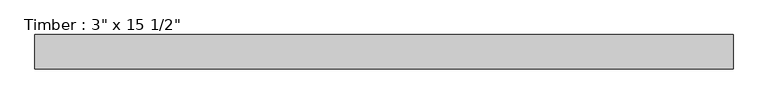
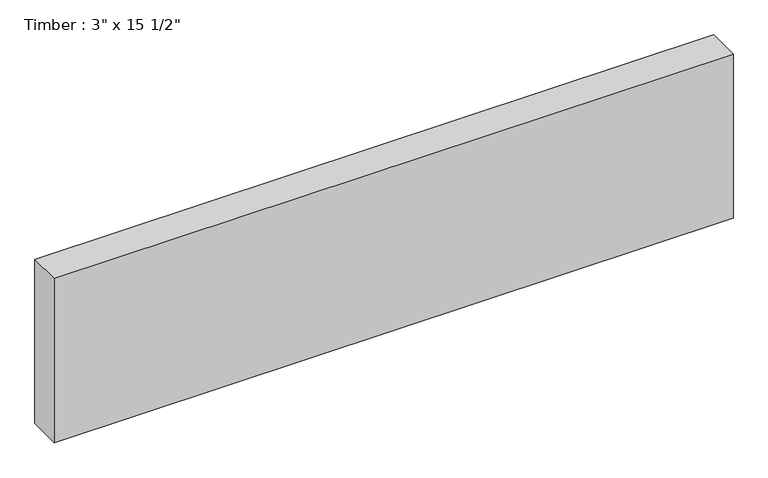
"""IFC4 building model written with IfcOpenShell, lengths in millimetres: beam geometry."""

from ifc_helpers import new_model, si_unit, frame, origin, place, context, project, spatial, polyline, outline, extrude, source, transform, mapped, element, save


def beam_6b48d8cb(model_context):
    return source(origin(), model_context, "Body", "SweptSolid", [
        extrude(outline(polyline([(769.9375, 38.1), (769.9375, -38.1), (-769.9375, -38.1), (-769.9375, 38.1), (769.9375, 38.1)])), frame((0.0, 0.0, -196.85), z_axis=(0.0, 0.0, 1.0), x_axis=(1.0, 0.0, 0.0)), (0.0, 0.0, 1.0), 393.7),
    ])


if __name__ == "__main__":
    model = new_model("IFC4")
    model_context = context("Model", 3, world=origin())
    ifc_project = project(units=[si_unit("LENGTHUNIT", "METRE", prefix="MILLI")], contexts=[model_context])
    site = spatial("IfcSite", under=ifc_project)
    building = spatial("IfcBuilding", under=site)
    placement = place(None, origin())
    beam_shape = beam_6b48d8cb(model_context)
    element("IfcBeam", 1, ObjectType="Timber : 3\" x 15 1/2\"", at=placement, inside=building, context=model_context, shape_type="MappedRepresentation", body=[
        mapped(beam_shape, transform((0.0, 0.0, 0.0), x_axis=(1.0, 0.0, 0.0), y_axis=(0.0, 1.0, 0.0), z_axis=(0.0, 0.0, 1.0))),
    ])
    save(model, "model.ifc")
